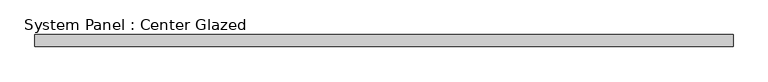
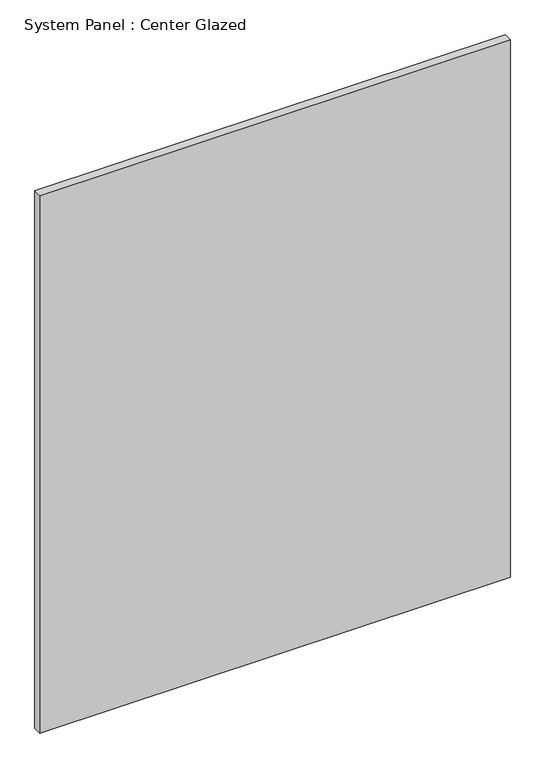
"""IFC4 building model written with IfcOpenShell, lengths in millimetres: plate geometry, System Panel : Center Glazed."""

from ifc_helpers import new_model, si_unit, origin, origin_with_axes, place, context, project, spatial, polyline, outline, extrude, source, transform, mapped, element, save


def system_panel_center_glazed_0161e5be(model_context):
    return source(origin(), model_context, "Body", "SweptSolid", [
        extrude(outline(polyline([(736.6, -12.7), (-736.6, -12.7), (-736.6, 12.7), (736.6, 12.7), (736.6, -12.7)])), origin_with_axes(), (0.0, 0.0, 1.0), 1778.0),
    ])


if __name__ == "__main__":
    model = new_model("IFC4")
    model_context = context("Model", 3, world=origin())
    ifc_project = project(units=[si_unit("LENGTHUNIT", "METRE", prefix="MILLI")], contexts=[model_context])
    site = spatial("IfcSite", under=ifc_project)
    building = spatial("IfcBuilding", under=site)
    placement = place(None, origin())
    system_panel_center_glazed_shape = system_panel_center_glazed_0161e5be(model_context)
    element("IfcPlate", 1, ObjectType="System Panel : Center Glazed", at=placement, inside=building, context=model_context, shape_type="MappedRepresentation", body=[
        mapped(system_panel_center_glazed_shape, transform((0.0, 0.0, 0.0), x_axis=(1.0, 0.0, 0.0), y_axis=(0.0, 1.0, 0.0), z_axis=(0.0, 0.0, 1.0))),
    ])
    save(model, "model.ifc")
